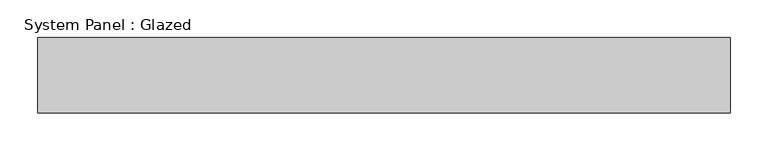
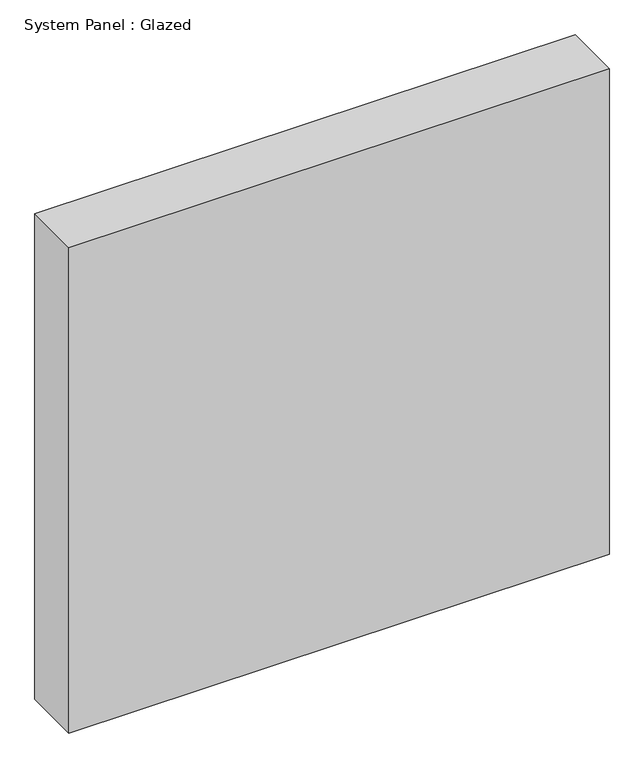
"""IFC4 building model written with IfcOpenShell, lengths in millimetres: plate geometry, System Panel : Glazed."""

from ifc_helpers import new_model, si_unit, origin, origin_with_axes, place, context, project, spatial, polyline, outline, extrude, source, transform, mapped, element, save


def system_panel_glazed_83add337(model_context):
    return source(origin(), model_context, "Body", "SweptSolid", [
        extrude(outline(polyline([(458.3333333, 50.0), (-458.3333333, 50.0), (-458.3333333, 150.0), (458.3333333, 150.0), (458.3333333, 50.0)])), origin_with_axes(), (0.0, 0.0, 1.0), 870.0),
    ])


if __name__ == "__main__":
    model = new_model("IFC4")
    model_context = context("Model", 3, world=origin())
    ifc_project = project(units=[si_unit("LENGTHUNIT", "METRE", prefix="MILLI")], contexts=[model_context])
    site = spatial("IfcSite", under=ifc_project)
    building = spatial("IfcBuilding", under=site)
    placement = place(None, origin())
    system_panel_glazed_shape = system_panel_glazed_83add337(model_context)
    element("IfcPlate", 1, ObjectType="System Panel : Glazed", at=placement, inside=building, context=model_context, shape_type="MappedRepresentation", body=[
        mapped(system_panel_glazed_shape, transform((0.0, 0.0, 0.0), x_axis=(1.0, 0.0, 0.0), y_axis=(0.0, 1.0, 0.0), z_axis=(0.0, 0.0, 1.0))),
    ])
    save(model, "model.ifc")
